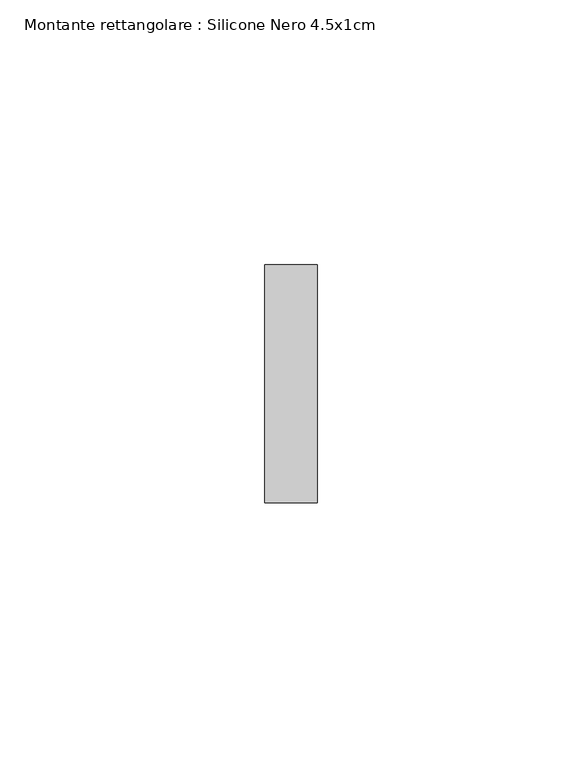
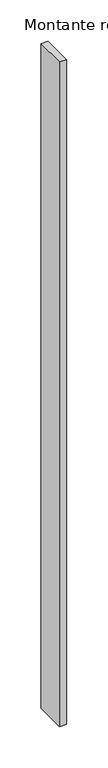
"""IFC4 building model written with IfcOpenShell, lengths in millimetres: member geometry, Montante rettangolare : Silicone Nero 4.5x1cm."""

from ifc_helpers import new_model, si_unit, frame, origin, place, context, project, spatial, polyline, outline, extrude, source, transform, mapped, element, save


def montante_rettangolare_silicone_nero_4_5x1cm_8b752af2(model_context):
    return source(origin(), model_context, "Body", "SweptSolid", [
        extrude(outline(polyline([(5.0, 45.0), (5.0, 0.0), (-5.0, 0.0), (-5.0, 45.0), (5.0, 45.0)])), frame((0.0, 0.0, -985.0), z_axis=(0.0, 0.0, 1.0), x_axis=(1.0, 0.0, 0.0)), (0.0, 0.0, 1.0), 985.0),
    ])


if __name__ == "__main__":
    model = new_model("IFC4")
    model_context = context("Model", 3, world=origin())
    ifc_project = project(units=[si_unit("LENGTHUNIT", "METRE", prefix="MILLI")], contexts=[model_context])
    site = spatial("IfcSite", under=ifc_project)
    building = spatial("IfcBuilding", under=site)
    placement = place(None, origin())
    montante_rettangolare_silicone_nero_4_5x1cm_shape = montante_rettangolare_silicone_nero_4_5x1cm_8b752af2(model_context)
    element("IfcMember", 1, ObjectType="Montante rettangolare : Silicone Nero 4.5x1cm", at=placement, inside=building, context=model_context, shape_type="MappedRepresentation", body=[
        mapped(montante_rettangolare_silicone_nero_4_5x1cm_shape, transform((0.0, 0.0, 0.0), x_axis=(1.0, 0.0, 0.0), y_axis=(0.0, 1.0, 0.0), z_axis=(0.0, 0.0, 1.0))),
    ])
    save(model, "model.ifc")
